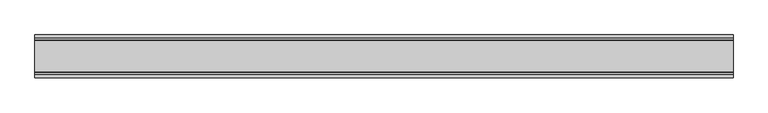
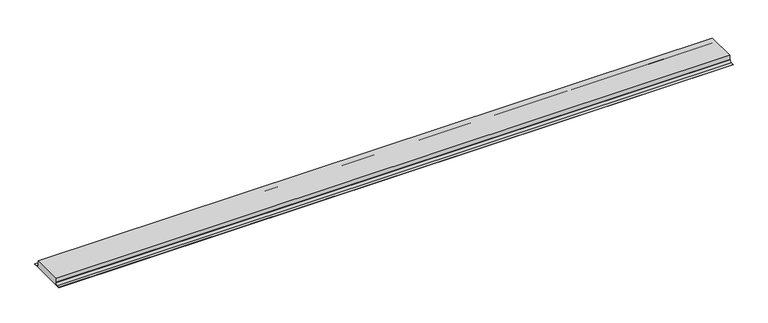
"""IFC4 building model written with IfcOpenShell, lengths in millimetres: proxy geometry."""

from ifc_helpers import new_model, si_unit, point, frame, frame_2d, origin, place, context, project, spatial, polyline, circle_curve, trimmed, segment, composite_curve, outline, extrude, source, transform, mapped, element, save
from ifc_brep_helpers import plane_surface, revolved_surface, advanced_brep


def generic_models_5dd12053(model_context):
    return source(origin(), model_context, "Body", "SolidModel", [
        advanced_brep(
        [(1587.3395579, -30661.2780581, 1426.3899251), (1587.3395579, -30653.4538846, 1434.2140986), (1587.3395579, -30653.4538846, 1450.0484763), (1587.3395579, -30545.7069939, 1450.0484763), (1587.3395579, -30545.7069939, 1434.2140986), (1587.3395579, -30537.8828204, 1426.3899251), (3987.3395579, -30661.2780581, 1426.3887139), (3987.3395579, -30537.8828204, 1426.3887139), (3987.3395579, -30545.7069939, 1434.2140986), (3987.3395579, -30545.7069939, 1450.0484763), (3987.3395579, -30653.4538846, 1450.0484763), (3987.3395579, -30653.4538846, 1434.2140986)],
        [
            (0, 1, circle_curve(frame((1587.3395579, -30661.2780581, 1434.2140986), z_axis=(1.0, 0.0, 0.0), x_axis=(0.0, 0.0, -1.0)), 7.8241735)),
            (1, 2),
            (2, 3),
            (3, 4),
            (4, 5, circle_curve(frame((1587.3395579, -30537.8828204, 1434.2140986), z_axis=(1.0, 0.0, 0.0), x_axis=(0.0, 0.0, -1.0)), 7.8241735)),
            (5, 0),
            (6, 7),
            (7, 8, circle_curve(frame((3987.3395579, -30537.8828204, 1434.2140986), z_axis=(-1.0, 0.0, 0.0), x_axis=(0.0, 0.0, -1.0)), 7.8241735)),
            (8, 9),
            (9, 10),
            (10, 11),
            (11, 6, circle_curve(frame((3987.3395579, -30661.2780581, 1434.2140986), z_axis=(-1.0, 0.0, 0.0), x_axis=(0.0, 0.0, -1.0)), 7.8241735)),
            (2, 10),
            (9, 3),
            (5, 7),
            (6, 0),
            (8, 4),
            (11, 1),
        ],
        [
            plane_surface(frame((1587.3395579, -28943.8849673, 1476.3887139), z_axis=(-1.0, 0.0, 0.0), x_axis=(0.0, -1.0, 0.0))),
            plane_surface(frame((3987.3395579, -28943.8849673, 1476.3887139), z_axis=(1.0, 0.0, 0.0), x_axis=(0.0, -1.0, 0.0))),
            plane_surface(frame((1587.3395579, -30653.4538846, 1450.0484763), z_axis=(0.0, 0.0, 1.0), x_axis=(1.0, 0.0, 0.0))),
            plane_surface(frame((1587.3395579, -30537.8828204, 1426.3887139), z_axis=(0.0, 0.0, -1.0), x_axis=(1.0, 0.0, 0.0))),
            plane_surface(frame((1587.3395579, -30545.7069939, 1450.0484763), z_axis=(0.0, 1.0, 0.0), x_axis=(1.0, 0.0, 0.0))),
            revolved_surface(polyline([(3987.3395579, -30537.8828204, 1426.3899251), (1587.3395579, -30537.8828204, 1426.3899251)]), (1587.3395579, -30537.8828204, 1434.2140986), (1.0, 0.0, 0.0)),
            revolved_surface(polyline([(3987.3395579, -30661.2780581, 1426.3899251), (1587.3395579, -30661.2780581, 1426.3899251)]), (1587.3395579, -30661.2780581, 1434.2140986), (1.0, 0.0, 0.0)),
            plane_surface(frame((1587.3395579, -30653.4538846, 1434.2140986), z_axis=(0.0, -1.0, 0.0), x_axis=(1.0, 0.0, 0.0))),
        ],
        [
            (0, [[1, 2, 3, 4, 5, 6]]),
            (1, [[7, 8, 9, 10, 11, 12]]),
            (2, [[-3, 13, -10, 14]]),
            (3, [[-6, 15, -7, 16]]),
            (4, [[-4, -14, -9, 17]]),
            (5, [[-5, -17, -8, -15]]),
            (6, [[-1, -16, -12, 18]]),
            (7, [[-2, -18, -11, -13]]),
        ],
    ),
        extrude(outline(composite_curve([segment(polyline([(-30661.2792693, 1426.3887139), (-30673.0075849, 1426.3887139), (-30673.0075849, 1427.3887139), (-30661.2792693, 1427.3887139)]), True, "CONTINUOUS"), segment(trimmed(circle_curve(frame_2d((-30661.2792693, 1434.2140986)), 6.8253847), [point((-30661.2792693, 1427.3887139))], [point((-30654.4538846, 1434.2140986))], True, "CARTESIAN"), True, "CONTINUOUS"), segment(polyline([(-30654.4538846, 1434.2140986), (-30653.4538846, 1434.2140986)]), True, "CONTINUOUS"), segment(trimmed(circle_curve(frame_2d((-30661.2792693, 1434.2140986)), 7.8253847), [point((-30653.4538846, 1434.2140986))], [point((-30661.2792693, 1426.3887139))], False, "CARTESIAN"), True, "CONTINUOUS")], self_intersect=False)), frame((1587.3395579, 0.0, 0.0), z_axis=(1.0, 0.0, 0.0), x_axis=(0.0, 1.0, 0.0)), (0.0, 0.0, 1.0), 2400.0),
        extrude(outline(composite_curve([segment(trimmed(circle_curve(frame_2d((-30537.8816092, 1434.2140986)), 7.8253847), [point((-30537.8816092, 1426.3887139))], [point((-30545.7069939, 1434.2140986))], False, "CARTESIAN"), True, "CONTINUOUS"), segment(polyline([(-30545.7069939, 1434.2140986), (-30544.7069939, 1434.2140986)]), True, "CONTINUOUS"), segment(trimmed(circle_curve(frame_2d((-30537.8816092, 1434.2140986)), 6.8253847), [point((-30544.7069939, 1434.2140986))], [point((-30537.8816092, 1427.3887139))], True, "CARTESIAN"), True, "CONTINUOUS"), segment(polyline([(-30537.8816092, 1427.3887139), (-30526.1532937, 1427.3887139), (-30526.1532937, 1426.3887139), (-30537.8816092, 1426.3887139)]), True, "CONTINUOUS")], self_intersect=False)), frame((1587.3395579, 0.0, 0.0), z_axis=(1.0, 0.0, 0.0), x_axis=(0.0, 1.0, 0.0)), (0.0, 0.0, 1.0), 2400.0),
    ])


if __name__ == "__main__":
    model = new_model("IFC4")
    model_context = context("Model", 3, world=origin())
    ifc_project = project(units=[si_unit("LENGTHUNIT", "METRE", prefix="MILLI")], contexts=[model_context])
    site = spatial("IfcSite", under=ifc_project)
    building = spatial("IfcBuilding", under=site)
    placement = place(None, origin())
    generic_models_shape = generic_models_5dd12053(model_context)
    element("IfcBuildingElementProxy", 1, Name="Generic Models", at=placement, inside=building, context=model_context, shape_type="MappedRepresentation", body=[
        mapped(generic_models_shape, transform((0.0, 0.0, 0.0), x_axis=(1.0, 0.0, 0.0), y_axis=(0.0, 1.0, 0.0), z_axis=(0.0, 0.0, 1.0))),
    ])
    save(model, "model.ifc")
